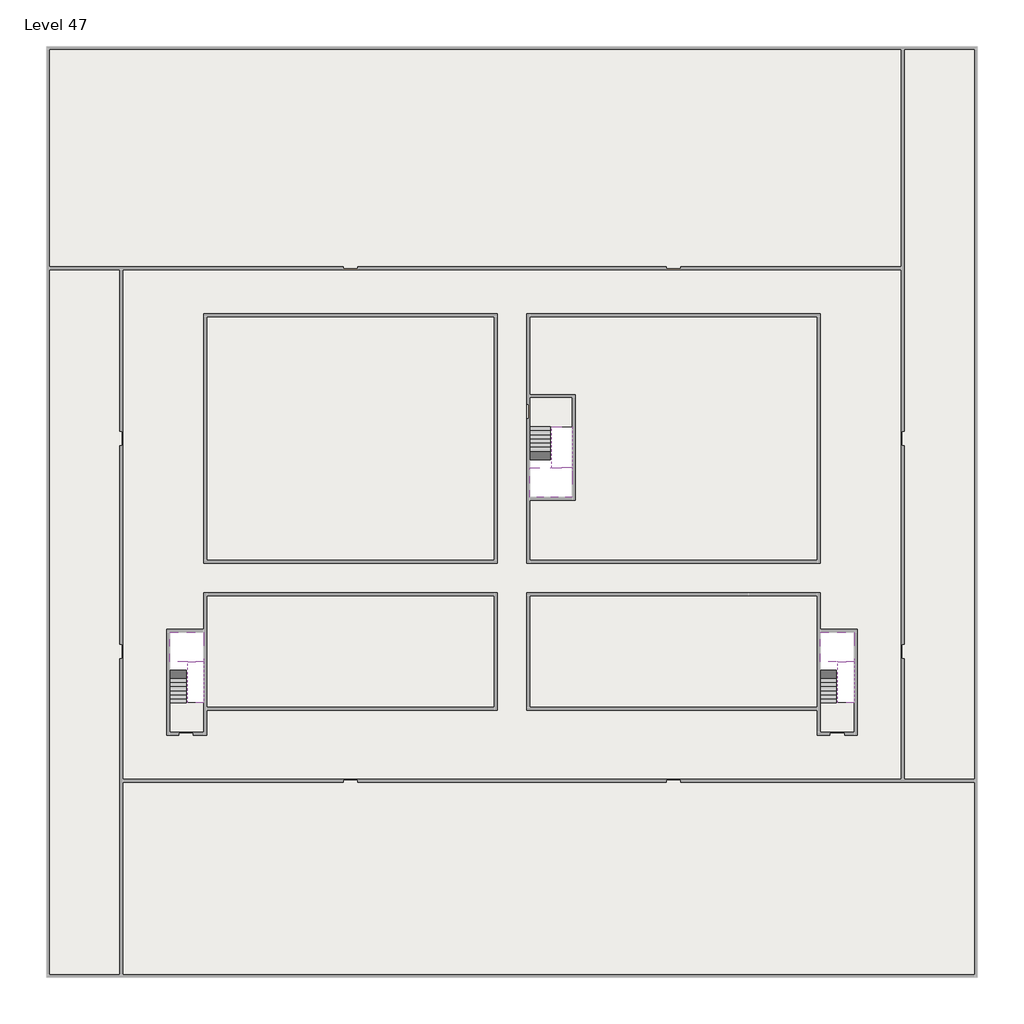
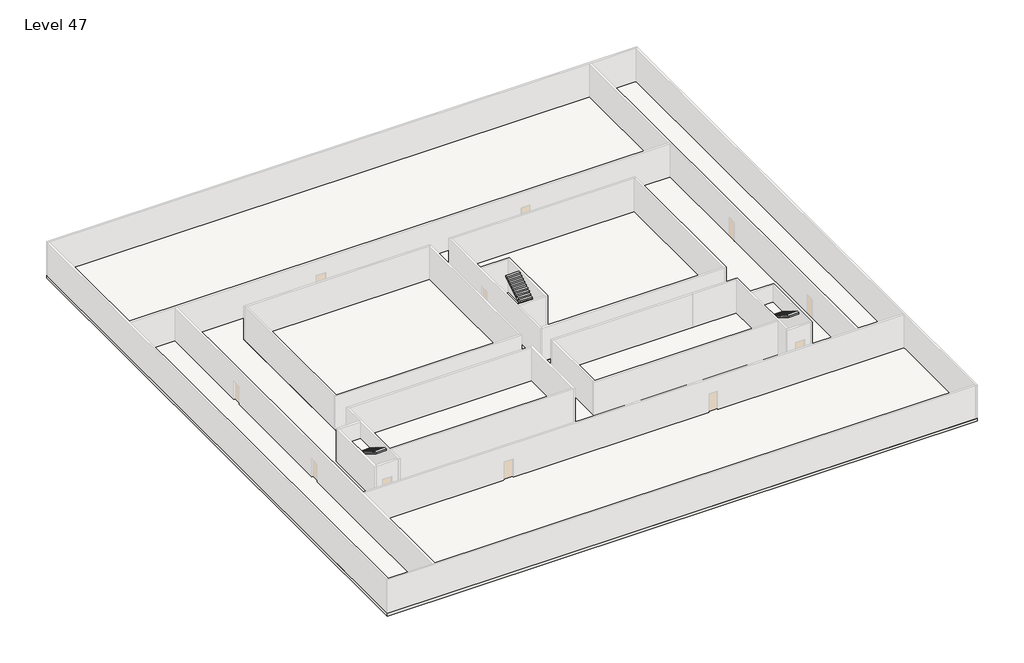
# One storey, part 2 of 2: 6 slabs, 6 stair flights.
"""IFC4 building model written with IfcOpenShell, lengths in millimetres."""

from ifc_helpers import new_model, si_unit, frame, origin, place, context, project, spatial, polyline, outline, extrude, faceted_brep, element, save

model = new_model("IFC4")

# Units and contexts
model_context = context("Model", 3, world=origin())
ifc_project = project(units=[si_unit("LENGTHUNIT", "METRE", prefix="MILLI")], contexts=[model_context])

# Site, building, storey
site = spatial("IfcSite", under=ifc_project)
building = spatial("IfcBuilding", under=site)
storey = spatial("IfcBuildingStorey", under=building, Name="Level 47", Elevation=174800.0)

# Slabs
placement = place(None, origin())
element("IfcSlab", 1, at=placement, inside=storey, context=model_context, shape_type="SweptSolid", body=[
    extrude(outline(polyline([(55890.1058784, -5518.09644), (55890.1058784, -68918.09644), (-7509.8941216, -68918.09644), (-7509.8941216, -5518.09644), (55890.1058784, -5518.09644)]), holes=[polyline([(23190.1058784, -23718.09644), (3190.1058784, -23718.09644), (3190.1058784, -40718.09644), (23190.1058784, -40718.09644), (23190.1058784, -23718.09644)]), polyline([(45190.1058784, -23718.09644), (25190.1058784, -23718.09644), (25190.1058784, -40718.09644), (45190.1058784, -40718.09644), (45190.1058784, -23718.09644)]), polyline([(23190.1058784, -42718.09644), (3390.1058784, -42718.09644), (3390.1058784, -45418.09644), (890.1058784, -45418.09644), (890.1058784, -52218.09644), (3190.1058784, -52218.09644), (3190.1058784, -50718.09644), (23190.1058784, -50718.09644), (23190.1058784, -42718.09644)]), polyline([(44990.1058784, -42718.09644), (25190.1058784, -42718.09644), (25190.1058784, -50718.09644), (45190.1058784, -50718.09644), (45190.1058784, -52218.09644), (47490.1058784, -52218.09644), (47490.1058784, -45418.09644), (44990.1058784, -45418.09644), (44990.1058784, -42718.09644)])]), frame((0.0, 0.0, 174500.0), z_axis=(0.0, 0.0, 1.0), x_axis=(1.0, 0.0, 0.0)), (0.0, 0.0, 1.0), 300.0),
])
element("IfcSlab", 2, at=placement, inside=storey, context=model_context, shape_type="Brep", body=[
    faceted_brep([(26790.1058784, -34218.09644, 176700.0), (25390.1058784, -34218.09644, 176700.0), (25390.1058784, -34297.4828763, 176700.0), (25390.1058784, -36218.09644, 176700.0), (28290.1058784, -36218.09644, 176700.0), (28290.1058784, -34418.7100038, 176700.0), (28290.1058784, -34218.09644, 176700.0), (26890.1058784, -34218.09644, 176700.0), (26790.1058784, -34218.09644, 176400.0), (26790.1058784, -34218.09644, 176351.0278478), (25390.1058784, -34218.09644, 176351.0278478), (25390.1058784, -34218.09644, 176527.2727273), (25390.1058784, -34297.4828763, 176400.0), (25390.1058784, -36218.09644, 176400.0), (28290.1058784, -36218.09644, 176400.0), (28290.1058784, -34418.7100038, 176400.0), (28290.1058784, -34218.09644, 176523.7551205), (26890.1058784, -34218.09644, 176523.7551205), (26890.1058784, -34218.09644, 176400.0), (26890.1058784, -34418.7100038, 176400.0), (26790.1058784, -34297.4828763, 176400.0)], [[[0, 1, 2, 3, 4, 5, 6, 7]], [[1, 0, 8, 9, 10, 11]], [[1, 11, 10, 12, 13, 3, 2]], [[4, 3, 13, 14]], [[4, 14, 15, 16, 6, 5]], [[7, 6, 16, 17]], [[0, 7, 17, 18, 8]], [[18, 19, 15, 14, 13, 12, 20, 8]], [[19, 18, 17]], [[20, 12, 10, 9]], [[8, 20, 9]], [[15, 19, 17, 16]]]),
])
element("IfcSlab", 3, at=placement, inside=storey, context=model_context, shape_type="Brep", body=[
    faceted_brep([(45190.1058784, -47418.09644, 176700.0), (46290.1058784, -47418.09644, 176700.0), (46390.1058784, -47418.09644, 176700.0), (47490.1058784, -47418.09644, 176700.0), (47490.1058784, -47217.4828763, 176700.0), (47490.1058784, -45418.09644, 176700.0), (45190.1058784, -45418.09644, 176700.0), (45190.1058784, -47338.7100038, 176700.0), (45190.1058784, -47418.09644, 176527.2727273), (45190.1058784, -47418.09644, 176351.0278478), (46290.1058784, -47418.09644, 176351.0278478), (46290.1058784, -47418.09644, 176400.0), (46390.1058784, -47418.09644, 176400.0), (46390.1058784, -47418.09644, 176523.7551205), (47490.1058784, -47418.09644, 176523.7551205), (47490.1058784, -47217.4828763, 176400.0), (47490.1058784, -45418.09644, 176400.0), (45190.1058784, -45418.09644, 176400.0), (45190.1058784, -47338.7100038, 176400.0), (46390.1058784, -47217.4828763, 176400.0), (46290.1058784, -47338.7100038, 176400.0)], [[[0, 1, 2, 3, 4, 5, 6, 7]], [[1, 0, 8, 9, 10, 11]], [[2, 1, 11, 12, 13]], [[3, 2, 13, 14]], [[3, 14, 15, 16, 5, 4]], [[6, 5, 16, 17]], [[9, 8, 0, 7, 6, 17, 18]], [[19, 12, 11, 20, 18, 17, 16, 15]], [[12, 19, 13]], [[18, 20, 10, 9]], [[20, 11, 10]], [[19, 15, 14, 13]]]),
])
element("IfcSlab", 4, at=placement, inside=storey, context=model_context, shape_type="Brep", body=[
    faceted_brep([(890.1058784, -47418.09644, 176700.0), (1990.1058784, -47418.09644, 176700.0), (2090.1058784, -47418.09644, 176700.0), (3190.1058784, -47418.09644, 176700.0), (3190.1058784, -47217.4828763, 176700.0), (3190.1058784, -45418.09644, 176700.0), (890.1058784, -45418.09644, 176700.0), (890.1058784, -47338.7100038, 176700.0), (890.1058784, -47418.09644, 176527.2727273), (890.1058784, -47418.09644, 176351.0278478), (1990.1058784, -47418.09644, 176351.0278478), (1990.1058784, -47418.09644, 176400.0), (2090.1058784, -47418.09644, 176400.0), (2090.1058784, -47418.09644, 176523.7551205), (3190.1058784, -47418.09644, 176523.7551205), (3190.1058784, -47217.4828763, 176400.0), (3190.1058784, -45418.09644, 176400.0), (890.1058784, -45418.09644, 176400.0), (890.1058784, -47338.7100038, 176400.0), (2090.1058784, -47217.4828763, 176400.0), (1990.1058784, -47338.7100038, 176400.0)], [[[0, 1, 2, 3, 4, 5, 6, 7]], [[1, 0, 8, 9, 10, 11]], [[2, 1, 11, 12, 13]], [[3, 2, 13, 14]], [[3, 14, 15, 16, 5, 4]], [[6, 5, 16, 17]], [[9, 8, 0, 7, 6, 17, 18]], [[19, 12, 11, 20, 18, 17, 16, 15]], [[12, 19, 13]], [[18, 20, 10, 9]], [[20, 11, 10]], [[19, 15, 14, 13]]]),
])
element("IfcSlab", 5, at=placement, inside=storey, context=model_context, shape_type="SweptSolid", body=[
    extrude(outline(polyline([(22990.1058784, -23918.09644), (22990.1058784, -40518.09644), (3390.1058784, -40518.09644), (3390.1058784, -23918.09644), (22990.1058784, -23918.09644)])), frame((0.0, 0.0, 174500.0), z_axis=(0.0, 0.0, 1.0), x_axis=(1.0, 0.0, 0.0)), (0.0, 0.0, 1.0), 300.0),
    extrude(outline(polyline([(44990.1058784, -23918.09644), (44990.1058784, -40518.09644), (25390.1058784, -40518.09644), (25390.1058784, -36418.09644), (28490.1058784, -36418.09644), (28490.1058784, -29218.09644), (25390.1058784, -29218.09644), (25390.1058784, -23918.09644), (44990.1058784, -23918.09644)])), frame((0.0, 0.0, 174500.0), z_axis=(0.0, 0.0, 1.0), x_axis=(1.0, 0.0, 0.0)), (0.0, 0.0, 1.0), 300.0),
    extrude(outline(polyline([(22990.1058784, -42918.09644), (22990.1058784, -50518.09644), (3390.1058784, -50518.09644), (3390.1058784, -42918.09644), (22990.1058784, -42918.09644)])), frame((0.0, 0.0, 174500.0), z_axis=(0.0, 0.0, 1.0), x_axis=(1.0, 0.0, 0.0)), (0.0, 0.0, 1.0), 300.0),
    extrude(outline(polyline([(44990.1058784, -42918.09644), (44990.1058784, -50518.09644), (25390.1058784, -50518.09644), (25390.1058784, -42918.09644), (44990.1058784, -42918.09644)])), frame((0.0, 0.0, 174500.0), z_axis=(0.0, 0.0, 1.0), x_axis=(1.0, 0.0, 0.0)), (0.0, 0.0, 1.0), 300.0),
])
element("IfcSlab", 6, at=placement, inside=storey, context=model_context, shape_type="SweptSolid", body=[
    extrude(outline(polyline([(28290.1058784, -29418.09644), (28290.1058784, -31418.09644), (25190.1058784, -31418.09644), (25190.1058784, -29418.09644), (28290.1058784, -29418.09644)])), frame((0.0, 0.0, 174500.0), z_axis=(0.0, 0.0, 1.0), x_axis=(1.0, 0.0, 0.0)), (0.0, 0.0, 1.0), 300.0),
    extrude(outline(polyline([(3190.1058784, -50218.09644), (3190.1058784, -52218.09644), (890.1058784, -52218.09644), (890.1058784, -50218.09644), (3190.1058784, -50218.09644)])), frame((0.0, 0.0, 174500.0), z_axis=(0.0, 0.0, 1.0), x_axis=(1.0, 0.0, 0.0)), (0.0, 0.0, 1.0), 300.0),
    extrude(outline(polyline([(47490.1058784, -50218.09644), (47490.1058784, -52218.09644), (45190.1058784, -52218.09644), (45190.1058784, -50218.09644), (47490.1058784, -50218.09644)])), frame((0.0, 0.0, 174500.0), z_axis=(0.0, 0.0, 1.0), x_axis=(1.0, 0.0, 0.0)), (0.0, 0.0, 1.0), 300.0),
])

# Stair flights
element("IfcStairFlight", 7, at=placement, inside=storey, context=model_context, shape_type="Brep", body=[
    faceted_brep([(26790.1058784, -31698.09644, 174972.7272727), (26790.1058784, -31418.09644, 174972.7272727), (25390.1058784, -31418.09644, 174972.7272727), (25390.1058784, -31698.09644, 174972.7272727), (26790.1058784, -31698.09644, 174800.0), (26790.1058784, -31418.09644, 174800.0), (25390.1058784, -31418.09644, 174800.0), (25390.1058784, -31698.09644, 174800.0), (26790.1058784, -31978.09644, 175145.4545455), (26790.1058784, -31698.09644, 175145.4545455), (25390.1058784, -31698.09644, 175145.4545455), (25390.1058784, -31978.09644, 175145.4545455), (26790.1058784, -31978.09644, 174969.209666), (26790.1058784, -31703.7986657, 174800.0), (25390.1058784, -31703.7986657, 174800.0), (25390.1058784, -31978.09644, 174969.209666), (26790.1058784, -32258.09644, 175318.1818182), (26790.1058784, -31978.09644, 175318.1818182), (25390.1058784, -31978.09644, 175318.1818182), (25390.1058784, -32258.09644, 175318.1818182), (26790.1058784, -32258.09644, 175141.9369387), (25390.1058784, -32258.09644, 175141.9369387), (26790.1058784, -32538.09644, 175490.9090909), (26790.1058784, -32258.09644, 175490.9090909), (25390.1058784, -32258.09644, 175490.9090909), (25390.1058784, -32538.09644, 175490.9090909), (26790.1058784, -32538.09644, 175314.6642114), (25390.1058784, -32538.09644, 175314.6642114), (26790.1058784, -32818.09644, 175663.6363636), (26790.1058784, -32538.09644, 175663.6363636), (25390.1058784, -32538.09644, 175663.6363636), (25390.1058784, -32818.09644, 175663.6363636), (26790.1058784, -32818.09644, 175487.3914841), (25390.1058784, -32818.09644, 175487.3914841), (26790.1058784, -33098.09644, 175836.3636364), (26790.1058784, -32818.09644, 175836.3636364), (25390.1058784, -32818.09644, 175836.3636364), (25390.1058784, -33098.09644, 175836.3636364), (26790.1058784, -33098.09644, 175660.1187569), (25390.1058784, -33098.09644, 175660.1187569), (26790.1058784, -33378.09644, 176009.0909091), (26790.1058784, -33098.09644, 176009.0909091), (25390.1058784, -33098.09644, 176009.0909091), (25390.1058784, -33378.09644, 176009.0909091), (26790.1058784, -33378.09644, 175832.8460296), (25390.1058784, -33378.09644, 175832.8460296), (26790.1058784, -33658.09644, 176181.8181818), (26790.1058784, -33378.09644, 176181.8181818), (25390.1058784, -33378.09644, 176181.8181818), (25390.1058784, -33658.09644, 176181.8181818), (26790.1058784, -33658.09644, 176005.5733023), (25390.1058784, -33658.09644, 176005.5733023), (26790.1058784, -33938.09644, 176354.5454545), (26790.1058784, -33658.09644, 176354.5454545), (25390.1058784, -33658.09644, 176354.5454545), (25390.1058784, -33938.09644, 176354.5454545), (26790.1058784, -33938.09644, 176178.3005751), (25390.1058784, -33938.09644, 176178.3005751), (26790.1058784, -34218.09644, 176527.2727273), (26790.1058784, -33938.09644, 176527.2727273), (25390.1058784, -33938.09644, 176527.2727273), (25390.1058784, -34218.09644, 176527.2727273), (26790.1058784, -34218.09644, 176400.0), (26790.1058784, -34218.09644, 176351.0278478), (25390.1058784, -34218.09644, 176351.0278478)], [[[0, 1, 2, 3]], [[1, 0, 4, 5]], [[2, 1, 5, 6]], [[3, 2, 6, 7]], [[8, 9, 10, 11]], [[4, 0, 9, 8, 12, 13]], [[0, 3, 10, 9]], [[3, 7, 14, 15, 11, 10]], [[16, 17, 18, 19]], [[17, 16, 20, 12, 8]], [[8, 11, 18, 17]], [[19, 18, 11, 15, 21]], [[22, 23, 24, 25]], [[23, 22, 26, 20, 16]], [[16, 19, 24, 23]], [[25, 24, 19, 21, 27]], [[28, 29, 30, 31]], [[29, 28, 32, 26, 22]], [[22, 25, 30, 29]], [[31, 30, 25, 27, 33]], [[34, 35, 36, 37]], [[35, 34, 38, 32, 28]], [[28, 31, 36, 35]], [[37, 36, 31, 33, 39]], [[40, 41, 42, 43]], [[41, 40, 44, 38, 34]], [[34, 37, 42, 41]], [[43, 42, 37, 39, 45]], [[46, 47, 48, 49]], [[47, 46, 50, 44, 40]], [[40, 43, 48, 47]], [[49, 48, 43, 45, 51]], [[52, 53, 54, 55]], [[53, 52, 56, 50, 46]], [[46, 49, 54, 53]], [[55, 54, 49, 51, 57]], [[58, 59, 60, 61]], [[59, 58, 62, 63, 56, 52]], [[52, 55, 60, 59]], [[61, 60, 55, 57, 64]], [[58, 61, 64, 63, 62]], [[5, 4, 13, 14, 7, 6]], [[14, 13, 12, 20, 26, 32, 38, 44, 50, 56, 63, 64, 57, 51, 45, 39, 33, 27, 21, 15]]]),
])
element("IfcStairFlight", 8, at=placement, inside=storey, context=model_context, shape_type="Brep", body=[
    faceted_brep([(26890.1058784, -33938.09644, 176872.7272727), (26890.1058784, -34218.09644, 176872.7272727), (28290.1058784, -34218.09644, 176872.7272727), (28290.1058784, -33938.09644, 176872.7272727), (26890.1058784, -33938.09644, 176696.4823932), (26890.1058784, -34218.09644, 176523.7551205), (28290.1058784, -34218.09644, 176523.7551205), (28290.1058784, -34218.09644, 176700.0), (28290.1058784, -33938.09644, 176696.4823932), (26890.1058784, -33658.09644, 177045.4545455), (26890.1058784, -33938.09644, 177045.4545455), (28290.1058784, -33938.09644, 177045.4545455), (28290.1058784, -33658.09644, 177045.4545455), (26890.1058784, -33658.09644, 176869.209666), (28290.1058784, -33658.09644, 176869.209666), (26890.1058784, -33378.09644, 177218.1818182), (26890.1058784, -33658.09644, 177218.1818182), (28290.1058784, -33658.09644, 177218.1818182), (28290.1058784, -33378.09644, 177218.1818182), (26890.1058784, -33378.09644, 177041.9369387), (28290.1058784, -33378.09644, 177041.9369387), (26890.1058784, -33098.09644, 177390.9090909), (26890.1058784, -33378.09644, 177390.9090909), (28290.1058784, -33378.09644, 177390.9090909), (28290.1058784, -33098.09644, 177390.9090909), (26890.1058784, -33098.09644, 177214.6642114), (28290.1058784, -33098.09644, 177214.6642114), (26890.1058784, -32818.09644, 177563.6363636), (26890.1058784, -33098.09644, 177563.6363636), (28290.1058784, -33098.09644, 177563.6363636), (28290.1058784, -32818.09644, 177563.6363636), (26890.1058784, -32818.09644, 177387.3914841), (28290.1058784, -32818.09644, 177387.3914841), (26890.1058784, -32538.09644, 177736.3636364), (26890.1058784, -32818.09644, 177736.3636364), (28290.1058784, -32818.09644, 177736.3636364), (28290.1058784, -32538.09644, 177736.3636364), (26890.1058784, -32538.09644, 177560.1187569), (28290.1058784, -32538.09644, 177560.1187569), (26890.1058784, -32258.09644, 177909.0909091), (26890.1058784, -32538.09644, 177909.0909091), (28290.1058784, -32538.09644, 177909.0909091), (28290.1058784, -32258.09644, 177909.0909091), (26890.1058784, -32258.09644, 177732.8460296), (28290.1058784, -32258.09644, 177732.8460296), (26890.1058784, -31978.09644, 178081.8181818), (26890.1058784, -32258.09644, 178081.8181818), (28290.1058784, -32258.09644, 178081.8181818), (28290.1058784, -31978.09644, 178081.8181818), (26890.1058784, -31978.09644, 177905.5733023), (28290.1058784, -31978.09644, 177905.5733023), (26890.1058784, -31698.09644, 178254.5454545), (26890.1058784, -31978.09644, 178254.5454545), (28290.1058784, -31978.09644, 178254.5454545), (28290.1058784, -31698.09644, 178254.5454545), (26890.1058784, -31698.09644, 178078.3005751), (28290.1058784, -31698.09644, 178078.3005751), (26890.1058784, -31418.09644, 178427.2727273), (26890.1058784, -31698.09644, 178427.2727273), (28290.1058784, -31698.09644, 178427.2727273), (28290.1058784, -31418.09644, 178427.2727273), (26890.1058784, -31418.09644, 178251.0278478), (28290.1058784, -31418.09644, 178251.0278478)], [[[0, 1, 2, 3]], [[1, 0, 4, 5]], [[2, 1, 5, 6, 7]], [[3, 2, 7, 6, 8]], [[9, 10, 11, 12]], [[10, 9, 13, 4, 0]], [[11, 10, 0, 3]], [[12, 11, 3, 8, 14]], [[15, 16, 17, 18]], [[16, 15, 19, 13, 9]], [[17, 16, 9, 12]], [[18, 17, 12, 14, 20]], [[21, 22, 23, 24]], [[22, 21, 25, 19, 15]], [[23, 22, 15, 18]], [[24, 23, 18, 20, 26]], [[27, 28, 29, 30]], [[28, 27, 31, 25, 21]], [[29, 28, 21, 24]], [[30, 29, 24, 26, 32]], [[33, 34, 35, 36]], [[34, 33, 37, 31, 27]], [[35, 34, 27, 30]], [[36, 35, 30, 32, 38]], [[39, 40, 41, 42]], [[40, 39, 43, 37, 33]], [[41, 40, 33, 36]], [[42, 41, 36, 38, 44]], [[45, 46, 47, 48]], [[46, 45, 49, 43, 39]], [[47, 46, 39, 42]], [[48, 47, 42, 44, 50]], [[51, 52, 53, 54]], [[52, 51, 55, 49, 45]], [[53, 52, 45, 48]], [[54, 53, 48, 50, 56]], [[57, 58, 59, 60]], [[58, 57, 61, 55, 51]], [[59, 58, 51, 54]], [[60, 59, 54, 56, 62]], [[57, 60, 62, 61]], [[5, 4, 13, 19, 25, 31, 37, 43, 49, 55, 61, 62, 56, 50, 44, 38, 32, 26, 20, 14, 8, 6]]]),
])
element("IfcStairFlight", 9, at=placement, inside=storey, context=model_context, shape_type="Brep", body=[
    faceted_brep([(45190.1058784, -49938.09644, 174972.7272727), (45190.1058784, -50218.09644, 174972.7272727), (46290.1058784, -50218.09644, 174972.7272727), (46290.1058784, -49938.09644, 174972.7272727), (45190.1058784, -49938.09644, 174800.0), (45190.1058784, -50218.09644, 174800.0), (46290.1058784, -50218.09644, 174800.0), (46290.1058784, -49938.09644, 174800.0), (45190.1058784, -49658.09644, 175145.4545455), (45190.1058784, -49938.09644, 175145.4545455), (46290.1058784, -49938.09644, 175145.4545455), (46290.1058784, -49658.09644, 175145.4545455), (45190.1058784, -49658.09644, 174969.209666), (45190.1058784, -49932.3942143, 174800.0), (46290.1058784, -49932.3942143, 174800.0), (46290.1058784, -49658.09644, 174969.209666), (45190.1058784, -49378.09644, 175318.1818182), (45190.1058784, -49658.09644, 175318.1818182), (46290.1058784, -49658.09644, 175318.1818182), (46290.1058784, -49378.09644, 175318.1818182), (45190.1058784, -49378.09644, 175141.9369387), (46290.1058784, -49378.09644, 175141.9369387), (45190.1058784, -49098.09644, 175490.9090909), (45190.1058784, -49378.09644, 175490.9090909), (46290.1058784, -49378.09644, 175490.9090909), (46290.1058784, -49098.09644, 175490.9090909), (45190.1058784, -49098.09644, 175314.6642114), (46290.1058784, -49098.09644, 175314.6642114), (45190.1058784, -48818.09644, 175663.6363636), (45190.1058784, -49098.09644, 175663.6363636), (46290.1058784, -49098.09644, 175663.6363636), (46290.1058784, -48818.09644, 175663.6363636), (45190.1058784, -48818.09644, 175487.3914841), (46290.1058784, -48818.09644, 175487.3914841), (45190.1058784, -48538.09644, 175836.3636364), (45190.1058784, -48818.09644, 175836.3636364), (46290.1058784, -48818.09644, 175836.3636364), (46290.1058784, -48538.09644, 175836.3636364), (45190.1058784, -48538.09644, 175660.1187569), (46290.1058784, -48538.09644, 175660.1187569), (45190.1058784, -48258.09644, 176009.0909091), (45190.1058784, -48538.09644, 176009.0909091), (46290.1058784, -48538.09644, 176009.0909091), (46290.1058784, -48258.09644, 176009.0909091), (45190.1058784, -48258.09644, 175832.8460296), (46290.1058784, -48258.09644, 175832.8460296), (45190.1058784, -47978.09644, 176181.8181818), (45190.1058784, -48258.09644, 176181.8181818), (46290.1058784, -48258.09644, 176181.8181818), (46290.1058784, -47978.09644, 176181.8181818), (45190.1058784, -47978.09644, 176005.5733023), (46290.1058784, -47978.09644, 176005.5733023), (45190.1058784, -47698.09644, 176354.5454545), (45190.1058784, -47978.09644, 176354.5454545), (46290.1058784, -47978.09644, 176354.5454545), (46290.1058784, -47698.09644, 176354.5454545), (45190.1058784, -47698.09644, 176178.3005751), (46290.1058784, -47698.09644, 176178.3005751), (45190.1058784, -47418.09644, 176527.2727273), (45190.1058784, -47698.09644, 176527.2727273), (46290.1058784, -47698.09644, 176527.2727273), (46290.1058784, -47418.09644, 176527.2727273), (45190.1058784, -47418.09644, 176351.0278478), (46290.1058784, -47418.09644, 176351.0278478), (46290.1058784, -47418.09644, 176400.0)], [[[0, 1, 2, 3]], [[1, 0, 4, 5]], [[2, 1, 5, 6]], [[3, 2, 6, 7]], [[8, 9, 10, 11]], [[4, 0, 9, 8, 12, 13]], [[0, 3, 10, 9]], [[3, 7, 14, 15, 11, 10]], [[16, 17, 18, 19]], [[17, 16, 20, 12, 8]], [[8, 11, 18, 17]], [[19, 18, 11, 15, 21]], [[22, 23, 24, 25]], [[23, 22, 26, 20, 16]], [[16, 19, 24, 23]], [[25, 24, 19, 21, 27]], [[28, 29, 30, 31]], [[29, 28, 32, 26, 22]], [[22, 25, 30, 29]], [[31, 30, 25, 27, 33]], [[34, 35, 36, 37]], [[35, 34, 38, 32, 28]], [[28, 31, 36, 35]], [[37, 36, 31, 33, 39]], [[40, 41, 42, 43]], [[41, 40, 44, 38, 34]], [[34, 37, 42, 41]], [[43, 42, 37, 39, 45]], [[46, 47, 48, 49]], [[47, 46, 50, 44, 40]], [[40, 43, 48, 47]], [[49, 48, 43, 45, 51]], [[52, 53, 54, 55]], [[53, 52, 56, 50, 46]], [[46, 49, 54, 53]], [[55, 54, 49, 51, 57]], [[58, 59, 60, 61]], [[59, 58, 62, 56, 52]], [[52, 55, 60, 59]], [[61, 60, 55, 57, 63, 64]], [[58, 61, 64, 63, 62]], [[5, 4, 13, 14, 7, 6]], [[14, 13, 12, 20, 26, 32, 38, 44, 50, 56, 62, 63, 57, 51, 45, 39, 33, 27, 21, 15]]]),
])
element("IfcStairFlight", 10, at=placement, inside=storey, context=model_context, shape_type="Brep", body=[
    faceted_brep([(47490.1058784, -47698.09644, 176872.7272727), (47490.1058784, -47418.09644, 176872.7272727), (46390.1058784, -47418.09644, 176872.7272727), (46390.1058784, -47698.09644, 176872.7272727), (47490.1058784, -47698.09644, 176696.4823932), (47490.1058784, -47418.09644, 176523.7551205), (47490.1058784, -47418.09644, 176700.0), (46390.1058784, -47418.09644, 176523.7551205), (46390.1058784, -47698.09644, 176696.4823932), (47490.1058784, -47978.09644, 177045.4545455), (47490.1058784, -47698.09644, 177045.4545455), (46390.1058784, -47698.09644, 177045.4545455), (46390.1058784, -47978.09644, 177045.4545455), (47490.1058784, -47978.09644, 176869.209666), (46390.1058784, -47978.09644, 176869.209666), (47490.1058784, -48258.09644, 177218.1818182), (47490.1058784, -47978.09644, 177218.1818182), (46390.1058784, -47978.09644, 177218.1818182), (46390.1058784, -48258.09644, 177218.1818182), (47490.1058784, -48258.09644, 177041.9369387), (46390.1058784, -48258.09644, 177041.9369387), (47490.1058784, -48538.09644, 177390.9090909), (47490.1058784, -48258.09644, 177390.9090909), (46390.1058784, -48258.09644, 177390.9090909), (46390.1058784, -48538.09644, 177390.9090909), (47490.1058784, -48538.09644, 177214.6642114), (46390.1058784, -48538.09644, 177214.6642114), (47490.1058784, -48818.09644, 177563.6363636), (47490.1058784, -48538.09644, 177563.6363636), (46390.1058784, -48538.09644, 177563.6363636), (46390.1058784, -48818.09644, 177563.6363636), (47490.1058784, -48818.09644, 177387.3914841), (46390.1058784, -48818.09644, 177387.3914841), (47490.1058784, -49098.09644, 177736.3636364), (47490.1058784, -48818.09644, 177736.3636364), (46390.1058784, -48818.09644, 177736.3636364), (46390.1058784, -49098.09644, 177736.3636364), (47490.1058784, -49098.09644, 177560.1187569), (46390.1058784, -49098.09644, 177560.1187569), (47490.1058784, -49378.09644, 177909.0909091), (47490.1058784, -49098.09644, 177909.0909091), (46390.1058784, -49098.09644, 177909.0909091), (46390.1058784, -49378.09644, 177909.0909091), (47490.1058784, -49378.09644, 177732.8460296), (46390.1058784, -49378.09644, 177732.8460296), (47490.1058784, -49658.09644, 178081.8181818), (47490.1058784, -49378.09644, 178081.8181818), (46390.1058784, -49378.09644, 178081.8181818), (46390.1058784, -49658.09644, 178081.8181818), (47490.1058784, -49658.09644, 177905.5733023), (46390.1058784, -49658.09644, 177905.5733023), (47490.1058784, -49938.09644, 178254.5454545), (47490.1058784, -49658.09644, 178254.5454545), (46390.1058784, -49658.09644, 178254.5454545), (46390.1058784, -49938.09644, 178254.5454545), (47490.1058784, -49938.09644, 178078.3005751), (46390.1058784, -49938.09644, 178078.3005751), (47490.1058784, -50218.09644, 178427.2727273), (47490.1058784, -49938.09644, 178427.2727273), (46390.1058784, -49938.09644, 178427.2727273), (46390.1058784, -50218.09644, 178427.2727273), (47490.1058784, -50218.09644, 178251.0278478), (46390.1058784, -50218.09644, 178251.0278478)], [[[0, 1, 2, 3]], [[1, 0, 4, 5, 6]], [[2, 1, 6, 5, 7]], [[3, 2, 7, 8]], [[9, 10, 11, 12]], [[10, 9, 13, 4, 0]], [[11, 10, 0, 3]], [[12, 11, 3, 8, 14]], [[15, 16, 17, 18]], [[16, 15, 19, 13, 9]], [[17, 16, 9, 12]], [[18, 17, 12, 14, 20]], [[21, 22, 23, 24]], [[22, 21, 25, 19, 15]], [[23, 22, 15, 18]], [[24, 23, 18, 20, 26]], [[27, 28, 29, 30]], [[28, 27, 31, 25, 21]], [[29, 28, 21, 24]], [[30, 29, 24, 26, 32]], [[33, 34, 35, 36]], [[34, 33, 37, 31, 27]], [[35, 34, 27, 30]], [[36, 35, 30, 32, 38]], [[39, 40, 41, 42]], [[40, 39, 43, 37, 33]], [[41, 40, 33, 36]], [[42, 41, 36, 38, 44]], [[45, 46, 47, 48]], [[46, 45, 49, 43, 39]], [[47, 46, 39, 42]], [[48, 47, 42, 44, 50]], [[51, 52, 53, 54]], [[52, 51, 55, 49, 45]], [[53, 52, 45, 48]], [[54, 53, 48, 50, 56]], [[57, 58, 59, 60]], [[58, 57, 61, 55, 51]], [[59, 58, 51, 54]], [[60, 59, 54, 56, 62]], [[57, 60, 62, 61]], [[5, 4, 13, 19, 25, 31, 37, 43, 49, 55, 61, 62, 56, 50, 44, 38, 32, 26, 20, 14, 8, 7]]]),
])
element("IfcStairFlight", 11, at=placement, inside=storey, context=model_context, shape_type="Brep", body=[
    faceted_brep([(890.1058784, -49938.09644, 174972.7272727), (890.1058784, -50218.09644, 174972.7272727), (1990.1058784, -50218.09644, 174972.7272727), (1990.1058784, -49938.09644, 174972.7272727), (890.1058784, -49938.09644, 174800.0), (890.1058784, -50218.09644, 174800.0), (1990.1058784, -50218.09644, 174800.0), (1990.1058784, -49938.09644, 174800.0), (890.1058784, -49658.09644, 175145.4545455), (890.1058784, -49938.09644, 175145.4545455), (1990.1058784, -49938.09644, 175145.4545455), (1990.1058784, -49658.09644, 175145.4545455), (890.1058784, -49658.09644, 174969.209666), (890.1058784, -49932.3942143, 174800.0), (1990.1058784, -49932.3942143, 174800.0), (1990.1058784, -49658.09644, 174969.209666), (890.1058784, -49378.09644, 175318.1818182), (890.1058784, -49658.09644, 175318.1818182), (1990.1058784, -49658.09644, 175318.1818182), (1990.1058784, -49378.09644, 175318.1818182), (890.1058784, -49378.09644, 175141.9369387), (1990.1058784, -49378.09644, 175141.9369387), (890.1058784, -49098.09644, 175490.9090909), (890.1058784, -49378.09644, 175490.9090909), (1990.1058784, -49378.09644, 175490.9090909), (1990.1058784, -49098.09644, 175490.9090909), (890.1058784, -49098.09644, 175314.6642114), (1990.1058784, -49098.09644, 175314.6642114), (890.1058784, -48818.09644, 175663.6363636), (890.1058784, -49098.09644, 175663.6363636), (1990.1058784, -49098.09644, 175663.6363636), (1990.1058784, -48818.09644, 175663.6363636), (890.1058784, -48818.09644, 175487.3914841), (1990.1058784, -48818.09644, 175487.3914841), (890.1058784, -48538.09644, 175836.3636364), (890.1058784, -48818.09644, 175836.3636364), (1990.1058784, -48818.09644, 175836.3636364), (1990.1058784, -48538.09644, 175836.3636364), (890.1058784, -48538.09644, 175660.1187569), (1990.1058784, -48538.09644, 175660.1187569), (890.1058784, -48258.09644, 176009.0909091), (890.1058784, -48538.09644, 176009.0909091), (1990.1058784, -48538.09644, 176009.0909091), (1990.1058784, -48258.09644, 176009.0909091), (890.1058784, -48258.09644, 175832.8460296), (1990.1058784, -48258.09644, 175832.8460296), (890.1058784, -47978.09644, 176181.8181818), (890.1058784, -48258.09644, 176181.8181818), (1990.1058784, -48258.09644, 176181.8181818), (1990.1058784, -47978.09644, 176181.8181818), (890.1058784, -47978.09644, 176005.5733023), (1990.1058784, -47978.09644, 176005.5733023), (890.1058784, -47698.09644, 176354.5454545), (890.1058784, -47978.09644, 176354.5454545), (1990.1058784, -47978.09644, 176354.5454545), (1990.1058784, -47698.09644, 176354.5454545), (890.1058784, -47698.09644, 176178.3005751), (1990.1058784, -47698.09644, 176178.3005751), (890.1058784, -47418.09644, 176527.2727273), (890.1058784, -47698.09644, 176527.2727273), (1990.1058784, -47698.09644, 176527.2727273), (1990.1058784, -47418.09644, 176527.2727273), (890.1058784, -47418.09644, 176351.0278478), (1990.1058784, -47418.09644, 176351.0278478), (1990.1058784, -47418.09644, 176400.0)], [[[0, 1, 2, 3]], [[1, 0, 4, 5]], [[2, 1, 5, 6]], [[3, 2, 6, 7]], [[8, 9, 10, 11]], [[4, 0, 9, 8, 12, 13]], [[0, 3, 10, 9]], [[3, 7, 14, 15, 11, 10]], [[16, 17, 18, 19]], [[17, 16, 20, 12, 8]], [[8, 11, 18, 17]], [[19, 18, 11, 15, 21]], [[22, 23, 24, 25]], [[23, 22, 26, 20, 16]], [[16, 19, 24, 23]], [[25, 24, 19, 21, 27]], [[28, 29, 30, 31]], [[29, 28, 32, 26, 22]], [[22, 25, 30, 29]], [[31, 30, 25, 27, 33]], [[34, 35, 36, 37]], [[35, 34, 38, 32, 28]], [[28, 31, 36, 35]], [[37, 36, 31, 33, 39]], [[40, 41, 42, 43]], [[41, 40, 44, 38, 34]], [[34, 37, 42, 41]], [[43, 42, 37, 39, 45]], [[46, 47, 48, 49]], [[47, 46, 50, 44, 40]], [[40, 43, 48, 47]], [[49, 48, 43, 45, 51]], [[52, 53, 54, 55]], [[53, 52, 56, 50, 46]], [[46, 49, 54, 53]], [[55, 54, 49, 51, 57]], [[58, 59, 60, 61]], [[59, 58, 62, 56, 52]], [[52, 55, 60, 59]], [[61, 60, 55, 57, 63, 64]], [[58, 61, 64, 63, 62]], [[5, 4, 13, 14, 7, 6]], [[14, 13, 12, 20, 26, 32, 38, 44, 50, 56, 62, 63, 57, 51, 45, 39, 33, 27, 21, 15]]]),
])
element("IfcStairFlight", 12, at=placement, inside=storey, context=model_context, shape_type="Brep", body=[
    faceted_brep([(3190.1058784, -47698.09644, 176872.7272727), (3190.1058784, -47418.09644, 176872.7272727), (2090.1058784, -47418.09644, 176872.7272727), (2090.1058784, -47698.09644, 176872.7272727), (3190.1058784, -47698.09644, 176696.4823932), (3190.1058784, -47418.09644, 176523.7551205), (3190.1058784, -47418.09644, 176700.0), (2090.1058784, -47418.09644, 176523.7551205), (2090.1058784, -47698.09644, 176696.4823932), (3190.1058784, -47978.09644, 177045.4545455), (3190.1058784, -47698.09644, 177045.4545455), (2090.1058784, -47698.09644, 177045.4545455), (2090.1058784, -47978.09644, 177045.4545455), (3190.1058784, -47978.09644, 176869.209666), (2090.1058784, -47978.09644, 176869.209666), (3190.1058784, -48258.09644, 177218.1818182), (3190.1058784, -47978.09644, 177218.1818182), (2090.1058784, -47978.09644, 177218.1818182), (2090.1058784, -48258.09644, 177218.1818182), (3190.1058784, -48258.09644, 177041.9369387), (2090.1058784, -48258.09644, 177041.9369387), (3190.1058784, -48538.09644, 177390.9090909), (3190.1058784, -48258.09644, 177390.9090909), (2090.1058784, -48258.09644, 177390.9090909), (2090.1058784, -48538.09644, 177390.9090909), (3190.1058784, -48538.09644, 177214.6642114), (2090.1058784, -48538.09644, 177214.6642114), (3190.1058784, -48818.09644, 177563.6363636), (3190.1058784, -48538.09644, 177563.6363636), (2090.1058784, -48538.09644, 177563.6363636), (2090.1058784, -48818.09644, 177563.6363636), (3190.1058784, -48818.09644, 177387.3914841), (2090.1058784, -48818.09644, 177387.3914841), (3190.1058784, -49098.09644, 177736.3636364), (3190.1058784, -48818.09644, 177736.3636364), (2090.1058784, -48818.09644, 177736.3636364), (2090.1058784, -49098.09644, 177736.3636364), (3190.1058784, -49098.09644, 177560.1187569), (2090.1058784, -49098.09644, 177560.1187569), (3190.1058784, -49378.09644, 177909.0909091), (3190.1058784, -49098.09644, 177909.0909091), (2090.1058784, -49098.09644, 177909.0909091), (2090.1058784, -49378.09644, 177909.0909091), (3190.1058784, -49378.09644, 177732.8460296), (2090.1058784, -49378.09644, 177732.8460296), (3190.1058784, -49658.09644, 178081.8181818), (3190.1058784, -49378.09644, 178081.8181818), (2090.1058784, -49378.09644, 178081.8181818), (2090.1058784, -49658.09644, 178081.8181818), (3190.1058784, -49658.09644, 177905.5733023), (2090.1058784, -49658.09644, 177905.5733023), (3190.1058784, -49938.09644, 178254.5454545), (3190.1058784, -49658.09644, 178254.5454545), (2090.1058784, -49658.09644, 178254.5454545), (2090.1058784, -49938.09644, 178254.5454545), (3190.1058784, -49938.09644, 178078.3005751), (2090.1058784, -49938.09644, 178078.3005751), (3190.1058784, -50218.09644, 178427.2727273), (3190.1058784, -49938.09644, 178427.2727273), (2090.1058784, -49938.09644, 178427.2727273), (2090.1058784, -50218.09644, 178427.2727273), (3190.1058784, -50218.09644, 178251.0278478), (2090.1058784, -50218.09644, 178251.0278478)], [[[0, 1, 2, 3]], [[1, 0, 4, 5, 6]], [[2, 1, 6, 5, 7]], [[3, 2, 7, 8]], [[9, 10, 11, 12]], [[10, 9, 13, 4, 0]], [[11, 10, 0, 3]], [[12, 11, 3, 8, 14]], [[15, 16, 17, 18]], [[16, 15, 19, 13, 9]], [[17, 16, 9, 12]], [[18, 17, 12, 14, 20]], [[21, 22, 23, 24]], [[22, 21, 25, 19, 15]], [[23, 22, 15, 18]], [[24, 23, 18, 20, 26]], [[27, 28, 29, 30]], [[28, 27, 31, 25, 21]], [[29, 28, 21, 24]], [[30, 29, 24, 26, 32]], [[33, 34, 35, 36]], [[34, 33, 37, 31, 27]], [[35, 34, 27, 30]], [[36, 35, 30, 32, 38]], [[39, 40, 41, 42]], [[40, 39, 43, 37, 33]], [[41, 40, 33, 36]], [[42, 41, 36, 38, 44]], [[45, 46, 47, 48]], [[46, 45, 49, 43, 39]], [[47, 46, 39, 42]], [[48, 47, 42, 44, 50]], [[51, 52, 53, 54]], [[52, 51, 55, 49, 45]], [[53, 52, 45, 48]], [[54, 53, 48, 50, 56]], [[57, 58, 59, 60]], [[58, 57, 61, 55, 51]], [[59, 58, 51, 54]], [[60, 59, 54, 56, 62]], [[57, 60, 62, 61]], [[5, 4, 13, 19, 25, 31, 37, 43, 49, 55, 61, 62, 56, 50, 44, 38, 32, 26, 20, 14, 8, 7]]]),
])

save(model, "model.ifc")
